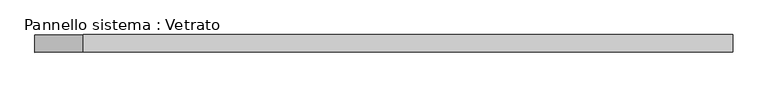
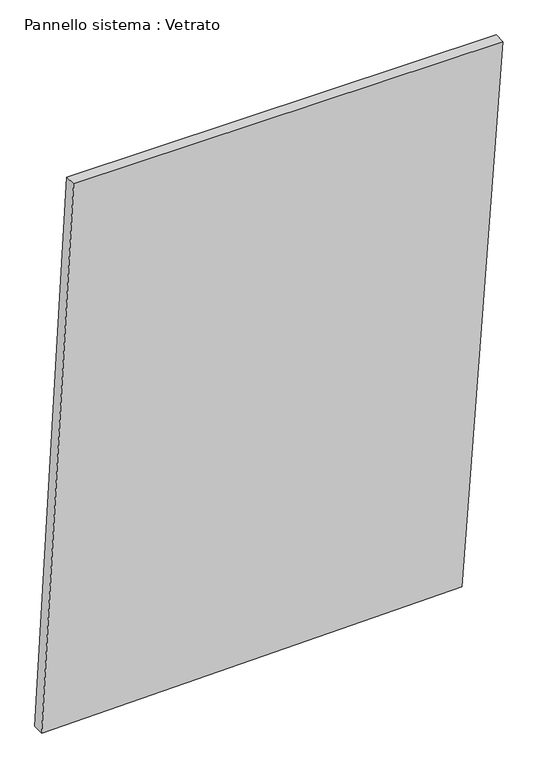
"""IFC4 building model written with IfcOpenShell, lengths in millimetres: plate geometry, Pannello sistema : Vetrato."""

from ifc_helpers import new_model, si_unit, frame, origin, place, context, project, spatial, polyline, outline, extrude, source, transform, mapped, element, save


def pannello_sistema_vetrato_042cfa78(model_context):
    return source(origin(), model_context, "Body", "SweptSolid", [
        extrude(outline(polyline([(0.0, -598.010666), (19.0817711, 491.7791355), (1475.1151842, 598.010666), (1475.1151842, -515.1719577), (0.0, -598.010666)])), frame((0.0, -15.0, 0.0), z_axis=(0.0, 1.0, 0.0), x_axis=(0.0, 0.0, 1.0)), (0.0, 0.0, 1.0), 30.0),
    ])


if __name__ == "__main__":
    model = new_model("IFC4")
    model_context = context("Model", 3, world=origin())
    ifc_project = project(units=[si_unit("LENGTHUNIT", "METRE", prefix="MILLI")], contexts=[model_context])
    site = spatial("IfcSite", under=ifc_project)
    building = spatial("IfcBuilding", under=site)
    placement = place(None, origin())
    pannello_sistema_vetrato_shape = pannello_sistema_vetrato_042cfa78(model_context)
    element("IfcPlate", 1, ObjectType="Pannello sistema : Vetrato", at=placement, inside=building, context=model_context, shape_type="MappedRepresentation", body=[
        mapped(pannello_sistema_vetrato_shape, transform((0.0, 0.0, 0.0), x_axis=(1.0, 0.0, 0.0), y_axis=(0.0, 1.0, 0.0), z_axis=(0.0, 0.0, 1.0))),
    ])
    save(model, "model.ifc")
